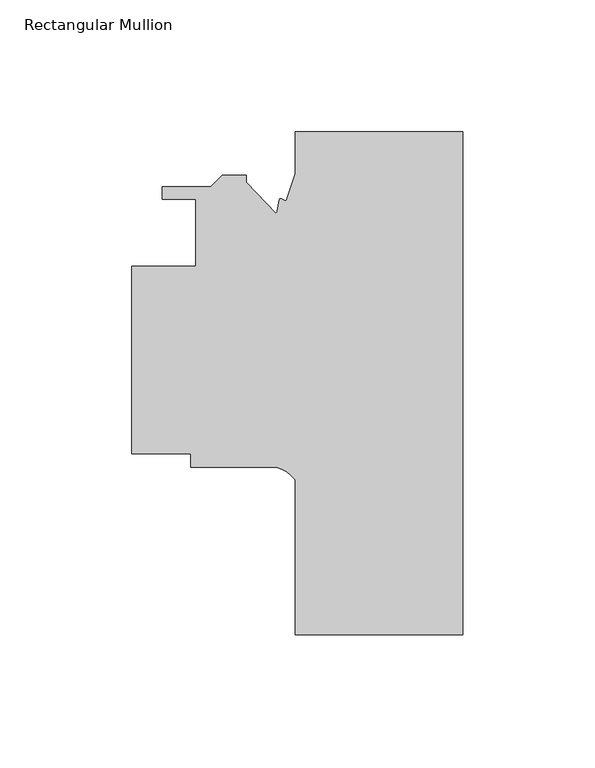
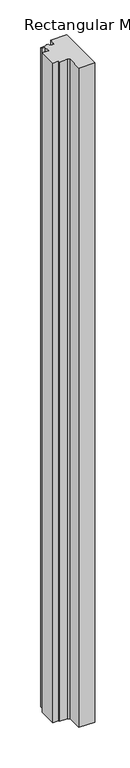
"""IFC4 building model written with IfcOpenShell, lengths in millimetres: member geometry, Rectangular Mullion."""

import ifcopenshell
import ifcopenshell.guid

model = None  # the IFC model being written
_history = None  # IfcOwnerHistory: only IFC2X3 demands one
_inside = {}  # id of a spatial element -> (the spatial element, [elements in it])
_under = {}  # id of a project, library or spatial element -> (it, [spatial elements below it])
_declared = {}  # id of a project -> (the project, [libraries it declares])
_typed = {}  # id of a type object -> (the type object, [elements of that type])
_made_of = {}  # id of a material, layer set ... -> (it, [elements and type objects made of it])


def new_model(schema):
    """Start an empty IFC model of exactly this schema.

    Asked for "IFC4X3", IfcOpenShell would pick the latest addendum, in which some entities
    have other attributes; the version numbers below select the first issue.
    IFC2X3 requires an IfcOwnerHistory on every rooted entity: one is made here for all.
    """
    global model, _history
    if schema == "IFC4X3":
        model = ifcopenshell.file(schema_version=(4, 3, 0, 0))
    else:
        model = ifcopenshell.file(schema=schema)
    _inside.clear()
    _under.clear()
    _declared.clear()
    _typed.clear()
    _made_of.clear()
    _history = None
    if model.schema == "IFC2X3":
        org = make("IfcOrganization", Name="unknown")
        user = make(
            "IfcPersonAndOrganization",
            ThePerson=make("IfcPerson", FamilyName="unknown"),
            TheOrganization=org,
        )
        app = make(
            "IfcApplication",
            ApplicationDeveloper=org,
            Version="unknown",
            ApplicationFullName="unknown",
            ApplicationIdentifier="unknown",
        )
        _history = make(
            "IfcOwnerHistory",
            OwningUser=user,
            OwningApplication=app,
            ChangeAction="ADDED",
            CreationDate=0,
        )
    return model


def make(cls, **values):
    """One entity of the class cls with the attributes given. An attribute that is None is left unset."""
    return model.create_entity(
        cls, **{name: value for name, value in values.items() if value is not None}
    )


def rooted(cls, **values):
    """An entity with a GlobalId (a new one), such as an element, a storey or a relation."""
    return make(cls, GlobalId=ifcopenshell.guid.new(), OwnerHistory=_history, **values)


def si_unit(unit_type, name, prefix=None):
    """IfcSIUnit, for example si_unit("LENGTHUNIT", "METRE", prefix="MILLI")."""
    return make("IfcSIUnit", UnitType=unit_type, Prefix=prefix, Name=name)


def assignment(units):
    """IfcUnitAssignment: the units of a project."""
    return None if units is None else make("IfcUnitAssignment", Units=units)


def point(xyz):
    """IfcCartesianPoint."""
    return None if xyz is None else make("IfcCartesianPoint", Coordinates=xyz)


def direction(xyz):
    """IfcDirection."""
    return None if xyz is None else make("IfcDirection", DirectionRatios=xyz)


def frame(location, z_axis=None, x_axis=None):
    """IfcAxis2Placement3D, a coordinate frame: its origin and axes. An axis left out is left unset."""
    return make(
        "IfcAxis2Placement3D",
        Location=point(location),
        Axis=direction(z_axis),
        RefDirection=direction(x_axis),
    )


def frame_2d(location, x_axis=None):
    """IfcAxis2Placement2D, a coordinate frame in the plane: its origin and x axis."""
    return make(
        "IfcAxis2Placement2D", Location=point(location), RefDirection=direction(x_axis)
    )


def origin():
    """The frame at (0, 0, 0) with its axes left unset."""
    return frame((0.0, 0.0, 0.0))


def place(relative_to, where):
    """IfcLocalPlacement: puts the frame where relative to a parent placement (None: the world)."""
    return make(
        "IfcLocalPlacement", PlacementRelTo=relative_to, RelativePlacement=where
    )


def context(
    kind, dimensions, precision=None, world=None, true_north=None, identifier=None
):
    """IfcGeometricRepresentationContext, for example the 3D "Model" context."""
    return make(
        "IfcGeometricRepresentationContext",
        ContextIdentifier=identifier,
        ContextType=kind,
        CoordinateSpaceDimension=dimensions,
        Precision=precision,
        WorldCoordinateSystem=world,
        TrueNorth=true_north,
    )


def project(units=None, contexts=None):
    """IfcProject with its units and contexts."""
    return rooted(
        "IfcProject",
        Name="project",
        RepresentationContexts=contexts,
        UnitsInContext=assignment(units),
    )


def spatial(cls, under=None, at=None, **own):
    """A site, building, storey or space (cls), placed at a placement, below another one or the project."""
    s = rooted(cls, ObjectPlacement=at, **own)
    if under is not None:
        _under.setdefault(under.id(), (under, []))[1].append(s)
    return s


def polyline(points):
    """IfcPolyline through the points."""
    return make("IfcPolyline", Points=[point(p) for p in points])


def circle_curve(where, radius):
    """IfcCircle in the frame where."""
    return make("IfcCircle", Position=where, Radius=radius)


def trimmed(basis, trim1, trim2, sense, master):
    """IfcTrimmedCurve: the piece of a basis curve between two trims."""
    return make(
        "IfcTrimmedCurve",
        BasisCurve=basis,
        Trim1=trim1,
        Trim2=trim2,
        SenseAgreement=sense,
        MasterRepresentation=master,
    )


def segment(curve, same_sense, transition):
    """IfcCompositeCurveSegment."""
    return make(
        "IfcCompositeCurveSegment",
        Transition=transition,
        SameSense=same_sense,
        ParentCurve=curve,
    )


def composite_curve(segments, self_intersect=None):
    """IfcCompositeCurve: segments joined end to end."""
    return make("IfcCompositeCurve", Segments=segments, SelfIntersect=self_intersect)


def outline(outer, holes=None, kind="AREA"):
    """IfcArbitraryClosedProfileDef: a profile drawn as a closed curve; with holes, ...WithVoids."""
    if holes is None:
        return make("IfcArbitraryClosedProfileDef", ProfileType=kind, OuterCurve=outer)
    return make(
        "IfcArbitraryProfileDefWithVoids",
        ProfileType=kind,
        OuterCurve=outer,
        InnerCurves=holes,
    )


def extrude(swept, where, along, depth):
    """IfcExtrudedAreaSolid: the profile swept, set in the frame where, extruded along a direction by depth."""
    return make(
        "IfcExtrudedAreaSolid",
        SweptArea=swept,
        Position=where,
        ExtrudedDirection=direction(along),
        Depth=depth,
    )


def shape(context_of_items, identifier, shape_type, items):
    """IfcShapeRepresentation: the items that make up one representation, for example the "Body"."""
    return make(
        "IfcShapeRepresentation",
        ContextOfItems=context_of_items,
        RepresentationIdentifier=identifier,
        RepresentationType=shape_type,
        Items=items,
    )


def source(mapping_origin, context_of_items, identifier, shape_type, items):
    """IfcRepresentationMap: a shape defined once, which mapped items show again and again."""
    return make(
        "IfcRepresentationMap",
        MappingOrigin=mapping_origin,
        MappedRepresentation=shape(context_of_items, identifier, shape_type, items),
    )


def transform(
    local_origin,
    x_axis=None,
    y_axis=None,
    z_axis=None,
    scale=None,
    scale2=None,
    scale3=None,
    uniform=True,
):
    """IfcCartesianTransformationOperator3D, or its non-uniform kind. x_axis, y_axis, z_axis: its Axis1, 2, 3."""
    if uniform:
        return make(
            "IfcCartesianTransformationOperator3D",
            Axis1=direction(x_axis),
            Axis2=direction(y_axis),
            LocalOrigin=point(local_origin),
            Scale=scale,
            Axis3=direction(z_axis),
        )
    return make(
        "IfcCartesianTransformationOperator3DnonUniform",
        Axis1=direction(x_axis),
        Axis2=direction(y_axis),
        LocalOrigin=point(local_origin),
        Scale=scale,
        Axis3=direction(z_axis),
        Scale2=scale2,
        Scale3=scale3,
    )


def mapped(mapping_source, mapping_target):
    """IfcMappedItem: shows the shape of a source again, moved by a transform."""
    return make(
        "IfcMappedItem", MappingSource=mapping_source, MappingTarget=mapping_target
    )


def made_of(thing, what):
    """Note that an element or type object is made of a material, layer set ...; save() writes the relation."""
    if what is not None:
        _made_of.setdefault(what.id(), (what, []))[1].append(thing)
    return thing


def element(
    cls,
    number,
    at=None,
    inside=None,
    cuts=None,
    type_object=None,
    material=None,
    context=None,
    identifier="Body",
    shape_type=None,
    held_by="IfcProductDefinitionShape",
    body=None,
    shapes=None,
    **own,
):
    """One element of the class cls, such as IfcWall. Its Tag is "e" and its number.

    at: its placement. inside: the storey or other place that contains it. cuts: it is an
    opening in that element (IfcRelVoidsElement). A single representation is given by context,
    identifier, shape_type and body (its items); several are given by shapes. held_by: the class
    of the entity that holds the representations. save() writes the other relations.
    """
    e = rooted(cls, Tag="e%d" % number, ObjectPlacement=at, **own)
    if body is not None:
        shapes = [shape(context, identifier, shape_type, body)]
    if shapes is not None:
        e.Representation = make(held_by, Representations=shapes)
    if inside is not None:
        _inside.setdefault(inside.id(), (inside, []))[1].append(e)
    if cuts is not None:
        rooted(
            "IfcRelVoidsElement", RelatingBuildingElement=cuts, RelatedOpeningElement=e
        )
    if type_object is not None:
        _typed.setdefault(type_object.id(), (type_object, []))[1].append(e)
    return made_of(e, material)


def aggregate(whole, parts):
    """IfcRelAggregates: a whole, such as a stair, and the parts it consists of."""
    return rooted("IfcRelAggregates", RelatingObject=whole, RelatedObjects=parts)


def save(model, path):
    """Write the relations noted so far, then the file.

    IfcRelAggregates (storeys below a building ...), IfcRelContainedInSpatialStructure (elements
    in a storey), IfcRelDefinesByType, IfcRelAssociatesMaterial and IfcRelDeclares: one each for
    every whole, place, type object, material and project.
    """
    for whole, parts in _under.values():
        aggregate(whole, parts)
    for where, things in _inside.values():
        rooted(
            "IfcRelContainedInSpatialStructure",
            RelatedElements=things,
            RelatingStructure=where,
        )
    for kind, things in _typed.values():
        rooted("IfcRelDefinesByType", RelatedObjects=things, RelatingType=kind)
    for what, things in _made_of.values():
        rooted("IfcRelAssociatesMaterial", RelatedObjects=things, RelatingMaterial=what)
    for by, libraries in _declared.values():
        rooted("IfcRelDeclares", RelatingContext=by, RelatedDefinitions=libraries)
    model.write(path)


def rectangular_mullion_94381904(model_context):
    return source(origin(), model_context, "Body", "SweptSolid", [
        extrude(outline(composite_curve([segment(polyline([(-63.515875, -190.51587), (-63.515875, -131.8340129)]), True, "CONTINUOUS"), segment(trimmed(circle_curve(frame_2d((-74.3196816, -140.2466887)), 13.6928942), [point((-63.515875, -131.8340129))], [point((-70.7925126, -127.015875))], True, "CARTESIAN"), True, "CONTINUOUS"), segment(polyline([(-70.7925126, -127.015875), (-103.1875, -127.015875), (-103.1875, -121.935875), (-125.4125, -121.935875), (-125.4125, -50.8158752), (-101.2261495, -50.8158752), (-101.2261495, -25.4158751), (-113.9261495, -25.4158751), (-113.9261495, -20.716875), (-95.5436417, -20.716875), (-91.2764417, -16.449675), (-82.1761495, -16.449675), (-82.1761495, -18.989675), (-70.9271938, -30.8010785)]), True, "CONTINUOUS"), segment(trimmed(circle_curve(frame_2d((-71.57951, -29.7114072)), 1.27), [point((-70.9271938, -30.8010785))], [point((-70.3288042, -29.9319404))], True, "CARTESIAN"), True, "CONTINUOUS"), segment(polyline([(-70.3288042, -29.9319404), (-69.6065197, -25.8356617)]), True, "CONTINUOUS"), segment(trimmed(circle_curve(frame_2d((-68.9520165, -25.9510683)), 0.6646), [point((-69.6065197, -25.8356617))], [point((-68.4112898, -25.5646648))], False, "CARTESIAN"), True, "CONTINUOUS"), segment(trimmed(circle_curve(frame_2d((-65.8789329, -21.1719889)), 5.0703484), [point((-68.4112898, -25.5646648))], [point((-66.9212611, -26.1340434))], True, "CARTESIAN"), True, "CONTINUOUS"), segment(polyline([(-66.9212611, -26.1340434), (-63.515875, -15.9383071), (-63.515875, -0.015875), (0.0, -0.015875), (0.0, -190.51587), (-63.515875, -190.51587)]), True, "CONTINUOUS")], self_intersect=False)), frame((0.0, 0.0, -2743.2), z_axis=(0.0, 0.0, 1.0), x_axis=(1.0, 0.0, 0.0)), (0.0, 0.0, 1.0), 2743.2),
    ])


if __name__ == "__main__":
    model = new_model("IFC4")
    model_context = context("Model", 3, world=origin())
    ifc_project = project(units=[si_unit("LENGTHUNIT", "METRE", prefix="MILLI")], contexts=[model_context])
    site = spatial("IfcSite", under=ifc_project)
    building = spatial("IfcBuilding", under=site)
    placement = place(None, origin())
    rectangular_mullion_shape = rectangular_mullion_94381904(model_context)
    element("IfcMember", 1, ObjectType="Rectangular Mullion", at=placement, inside=building, context=model_context, shape_type="MappedRepresentation", body=[
        mapped(rectangular_mullion_shape, transform((0.0, 0.0, 0.0), x_axis=(1.0, 0.0, 0.0), y_axis=(0.0, 1.0, 0.0), z_axis=(0.0, 0.0, 1.0))),
    ])
    save(model, "model.ifc")
